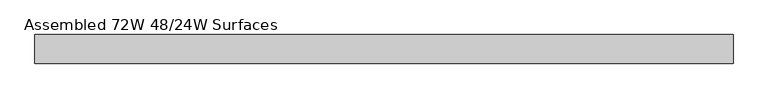
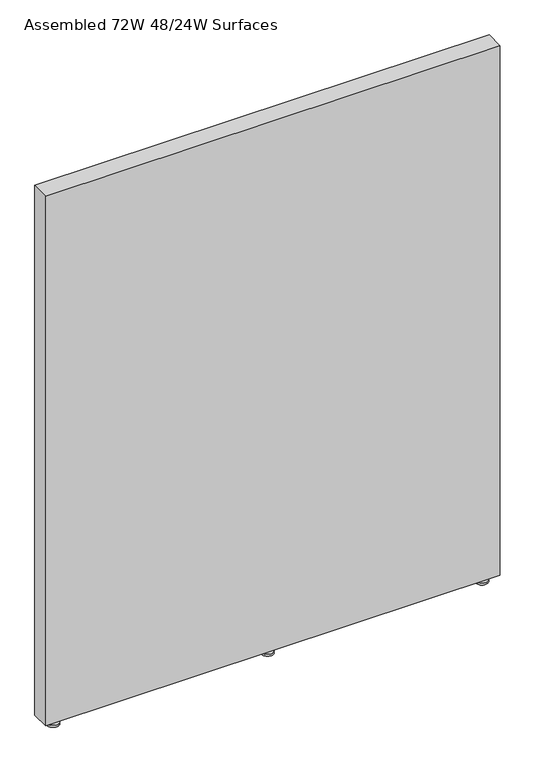
"""IFC4 building model written with IfcOpenShell, lengths in millimetres: furniture geometry, Assembled 72W 48/24W Surfaces."""

from ifc_helpers import new_model, si_unit, frame, origin, place, context, project, spatial, polyline, circle_curve, outline, extrude, source, transform, mapped, element, save
from ifc_brep_helpers import plane_surface, cylinder_surface, advanced_brep


def assembled_72w_48_24w_surfaces_f0220fdc(model_context):
    return source(origin(), model_context, "Body", "SolidModel", [
        advanced_brep(
        [(909.6375136, 50.7999992, 30.1625008), (919.1625, 50.7999992, 30.1625008), (919.1625, 50.7999992, 8.0944096), (909.6375136, 50.7999992, 8.0944096), (914.4000068, 50.7999992, 30.1625008), (890.5875136, 50.7999992, 0.0), (938.2125, 50.7999992, 0.0), (914.4000068, 50.7999992, 0.0), (890.5875136, 50.7999992, 8.0944096), (938.2125, 50.7999992, 8.0944096)],
        [
            (0, 1, circle_curve(frame((914.4000068, 50.7999992, 30.1625008), z_axis=(0.0, 0.0, -1.0), x_axis=(1.0, 0.0, 0.0)), 4.7624932)),
            (1, 2),
            (2, 3, circle_curve(frame((914.4000068, 50.7999992, 8.0944096), z_axis=(0.0, 0.0, 1.0), x_axis=(1.0, 0.0, 0.0)), 4.7624932)),
            (3, 0),
            (1, 0, circle_curve(frame((914.4000068, 50.7999992, 30.1625008), z_axis=(0.0, 0.0, -1.0), x_axis=(1.0, 0.0, 0.0)), 4.7624932)),
            (3, 2, circle_curve(frame((914.4000068, 50.7999992, 8.0944096), z_axis=(0.0, 0.0, 1.0), x_axis=(1.0, 0.0, 0.0)), 4.7624932)),
            (4, 1),
            (0, 4),
            (5, 6, circle_curve(frame((914.4000068, 50.7999992, 0.0), z_axis=(0.0, 0.0, -1.0), x_axis=(1.0, 0.0, 0.0)), 23.8124932)),
            (6, 7),
            (7, 5),
            (6, 5, circle_curve(frame((914.4000068, 50.7999992, 0.0), z_axis=(0.0, 0.0, -1.0), x_axis=(1.0, 0.0, 0.0)), 23.8124932)),
            (8, 9, circle_curve(frame((914.4000068, 50.7999992, 8.0944096), z_axis=(0.0, 0.0, -1.0), x_axis=(1.0, 0.0, 0.0)), 23.8124932)),
            (9, 6),
            (5, 8),
            (9, 8, circle_curve(frame((914.4000068, 50.7999992, 8.0944096), z_axis=(0.0, 0.0, -1.0), x_axis=(1.0, 0.0, 0.0)), 23.8124932)),
            (2, 9),
            (8, 3),
        ],
        [
            cylinder_surface(frame((914.4000068, 50.7999992, 30.1625008), z_axis=(0.0, 0.0, 1.0), x_axis=(1.0, 0.0, 0.0)), 4.7624932),
            plane_surface(frame((914.4000068, 50.7999992, 30.1625008), z_axis=(0.0, 0.0, 1.0), x_axis=(1.0, 0.0, 0.0))),
            plane_surface(frame((914.4000068, 50.7999992, 0.0), z_axis=(0.0, 0.0, -1.0), x_axis=(1.0, 0.0, 0.0))),
            cylinder_surface(frame((914.4000068, 50.7999992, 30.1625008), z_axis=(0.0, 0.0, 1.0), x_axis=(1.0, 0.0, 0.0)), 23.8124932),
            plane_surface(frame((914.4000068, 50.7999992, 8.0944096), z_axis=(0.0, 0.0, 1.0), x_axis=(1.0, 0.0, 0.0))),
        ],
        [
            (0, [[1, 2, 3, 4]]),
            (0, [[5, -4, 6, -2]]),
            (1, [[7, -1, 8]]),
            (1, [[-8, -5, -7]]),
            (2, [[9, 10, 11]]),
            (2, [[12, -11, -10]]),
            (3, [[13, 14, -9, 15]]),
            (3, [[16, -15, -12, -14]]),
            (4, [[-3, 17, -13, 18]]),
            (4, [[-6, -18, -16, -17]]),
        ],
    ),
        advanced_brep(
        [(1754.2500083, 50.7999992, 0.0), (1801.7500159, 50.7999992, 0.0), (1778.0000121, 50.7999992, 0.0), (1754.2500083, 50.7999992, 8.0944096), (1801.7500159, 50.7999992, 8.0944096), (1773.2375121, 50.7999992, 8.0944096), (1782.7625121, 50.7999992, 8.0944096), (1773.2375121, 50.7999992, 30.1625008), (1782.7625121, 50.7999992, 30.1625008), (1778.0000121, 50.7999992, 30.1625008)],
        [
            (0, 1, circle_curve(frame((1778.0000121, 50.7999992, 0.0), z_axis=(0.0, 0.0, -1.0), x_axis=(1.0, 0.0, 0.0)), 23.7500038)),
            (1, 2),
            (2, 0),
            (1, 0, circle_curve(frame((1778.0000121, 50.7999992, 0.0), z_axis=(0.0, 0.0, -1.0), x_axis=(1.0, 0.0, 0.0)), 23.7500038)),
            (3, 4, circle_curve(frame((1778.0000121, 50.7999992, 8.0944096), z_axis=(0.0, 0.0, -1.0), x_axis=(1.0, 0.0, 0.0)), 23.7500038)),
            (4, 1),
            (0, 3),
            (4, 3, circle_curve(frame((1778.0000121, 50.7999992, 8.0944096), z_axis=(0.0, 0.0, -1.0), x_axis=(1.0, 0.0, 0.0)), 23.7500038)),
            (5, 6, circle_curve(frame((1778.0000121, 50.7999992, 8.0944096), z_axis=(0.0, 0.0, -1.0), x_axis=(1.0, 0.0, 0.0)), 4.7625)),
            (6, 4),
            (3, 5),
            (6, 5, circle_curve(frame((1778.0000121, 50.7999992, 8.0944096), z_axis=(0.0, 0.0, -1.0), x_axis=(1.0, 0.0, 0.0)), 4.7625)),
            (7, 8, circle_curve(frame((1778.0000121, 50.7999992, 30.1625008), z_axis=(0.0, 0.0, -1.0), x_axis=(1.0, 0.0, 0.0)), 4.7625)),
            (8, 6),
            (5, 7),
            (8, 7, circle_curve(frame((1778.0000121, 50.7999992, 30.1625008), z_axis=(0.0, 0.0, -1.0), x_axis=(1.0, 0.0, 0.0)), 4.7625)),
            (9, 8),
            (7, 9),
        ],
        [
            plane_surface(frame((1778.0000121, 50.7999992, 0.0), z_axis=(0.0, 0.0, -1.0), x_axis=(1.0, 0.0, 0.0))),
            cylinder_surface(frame((1778.0000121, 50.7999992, 30.1625008), z_axis=(0.0, 0.0, 1.0), x_axis=(1.0, 0.0, 0.0)), 23.7500038),
            plane_surface(frame((1778.0000121, 50.7999992, 8.0944096), z_axis=(0.0, 0.0, 1.0), x_axis=(1.0, 0.0, 0.0))),
            cylinder_surface(frame((1778.0000121, 50.7999992, 30.1625008), z_axis=(0.0, 0.0, 1.0), x_axis=(1.0, 0.0, 0.0)), 4.7625),
            plane_surface(frame((1778.0000121, 50.7999992, 30.1625008), z_axis=(0.0, 0.0, 1.0), x_axis=(1.0, 0.0, 0.0))),
        ],
        [
            (0, [[1, 2, 3]]),
            (0, [[4, -3, -2]]),
            (1, [[5, 6, -1, 7]]),
            (1, [[8, -7, -4, -6]]),
            (2, [[9, 10, -5, 11]]),
            (2, [[12, -11, -8, -10]]),
            (3, [[13, 14, -9, 15]]),
            (3, [[16, -15, -12, -14]]),
            (4, [[17, -13, 18]]),
            (4, [[-18, -16, -17]]),
        ],
    ),
        advanced_brep(
        [(46.0375015, 50.7999992, 30.1625008), (55.5625015, 50.7999992, 30.1625008), (55.5625015, 50.7999992, 8.0944096), (46.0375015, 50.7999992, 8.0944096), (50.8000015, 50.7999992, 30.1625008), (26.9875015, 50.7999992, 0.0), (74.6125015, 50.7999992, 0.0), (50.8000015, 50.7999992, 0.0), (26.9875015, 50.7999992, 8.0944096), (74.6125015, 50.7999992, 8.0944096)],
        [
            (0, 1, circle_curve(frame((50.8000015, 50.7999992, 30.1625008), z_axis=(0.0, 0.0, -1.0), x_axis=(1.0, 0.0, 0.0)), 4.7625)),
            (1, 2),
            (2, 3, circle_curve(frame((50.8000015, 50.7999992, 8.0944096), z_axis=(0.0, 0.0, 1.0), x_axis=(1.0, 0.0, 0.0)), 4.7625)),
            (3, 0),
            (1, 0, circle_curve(frame((50.8000015, 50.7999992, 30.1625008), z_axis=(0.0, 0.0, -1.0), x_axis=(1.0, 0.0, 0.0)), 4.7625)),
            (3, 2, circle_curve(frame((50.8000015, 50.7999992, 8.0944096), z_axis=(0.0, 0.0, 1.0), x_axis=(1.0, 0.0, 0.0)), 4.7625)),
            (4, 1),
            (0, 4),
            (5, 6, circle_curve(frame((50.8000015, 50.7999992, 0.0), z_axis=(0.0, 0.0, -1.0), x_axis=(1.0, 0.0, 0.0)), 23.8125)),
            (6, 7),
            (7, 5),
            (6, 5, circle_curve(frame((50.8000015, 50.7999992, 0.0), z_axis=(0.0, 0.0, -1.0), x_axis=(1.0, 0.0, 0.0)), 23.8125)),
            (8, 9, circle_curve(frame((50.8000015, 50.7999992, 8.0944096), z_axis=(0.0, 0.0, -1.0), x_axis=(1.0, 0.0, 0.0)), 23.8125)),
            (9, 6),
            (5, 8),
            (9, 8, circle_curve(frame((50.8000015, 50.7999992, 8.0944096), z_axis=(0.0, 0.0, -1.0), x_axis=(1.0, 0.0, 0.0)), 23.8125)),
            (2, 9),
            (8, 3),
        ],
        [
            cylinder_surface(frame((50.8000015, 50.7999992, 30.1625008), z_axis=(0.0, 0.0, 1.0), x_axis=(1.0, 0.0, 0.0)), 4.7625),
            plane_surface(frame((50.8000015, 50.7999992, 30.1625008), z_axis=(0.0, 0.0, 1.0), x_axis=(1.0, 0.0, 0.0))),
            plane_surface(frame((50.8000015, 50.7999992, 0.0), z_axis=(0.0, 0.0, -1.0), x_axis=(1.0, 0.0, 0.0))),
            cylinder_surface(frame((50.8000015, 50.7999992, 30.1625008), z_axis=(0.0, 0.0, 1.0), x_axis=(1.0, 0.0, 0.0)), 23.8125),
            plane_surface(frame((50.8000015, 50.7999992, 8.0944096), z_axis=(0.0, 0.0, 1.0), x_axis=(1.0, 0.0, 0.0))),
        ],
        [
            (0, [[1, 2, 3, 4]]),
            (0, [[5, -4, 6, -2]]),
            (1, [[7, -1, 8]]),
            (1, [[-8, -5, -7]]),
            (2, [[9, 10, 11]]),
            (2, [[12, -11, -10]]),
            (3, [[13, 14, -9, 15]]),
            (3, [[16, -15, -12, -14]]),
            (4, [[-3, 17, -13, 18]]),
            (4, [[-6, -18, -16, -17]]),
        ],
    ),
        extrude(outline(polyline([(0.0, 12.7000004), (0.0, 88.899997), (1828.8, 88.899997), (1828.8, 12.7000004), (0.0, 12.7000004)])), frame((0.0, 0.0, 30.1625008), z_axis=(0.0, 0.0, 1.0), x_axis=(1.0, 0.0, 0.0)), (0.0, 0.0, 1.0), 2252.6625477),
    ])


if __name__ == "__main__":
    model = new_model("IFC4")
    model_context = context("Model", 3, world=origin())
    ifc_project = project(units=[si_unit("LENGTHUNIT", "METRE", prefix="MILLI")], contexts=[model_context])
    site = spatial("IfcSite", under=ifc_project)
    building = spatial("IfcBuilding", under=site)
    placement = place(None, origin())
    assembled_72w_48_24w_surfaces_shape = assembled_72w_48_24w_surfaces_f0220fdc(model_context)
    element("IfcFurniture", 1, ObjectType="Assembled 72W 48/24W Surfaces", at=placement, inside=building, context=model_context, shape_type="MappedRepresentation", body=[
        mapped(assembled_72w_48_24w_surfaces_shape, transform((0.0, 0.0, 0.0), x_axis=(1.0, 0.0, 0.0), y_axis=(0.0, 1.0, 0.0), z_axis=(0.0, 0.0, 1.0))),
    ])
    save(model, "model.ifc")
